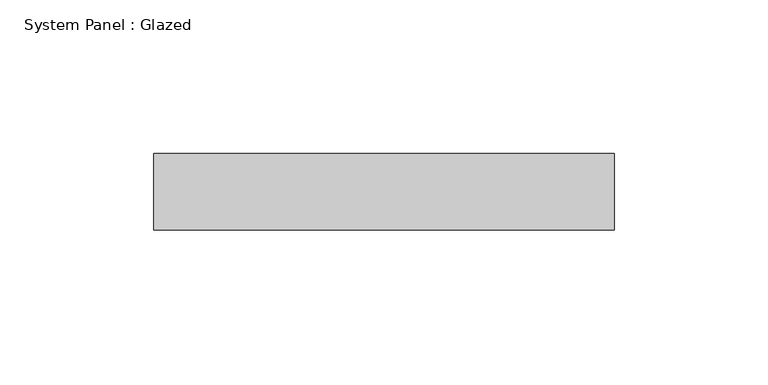
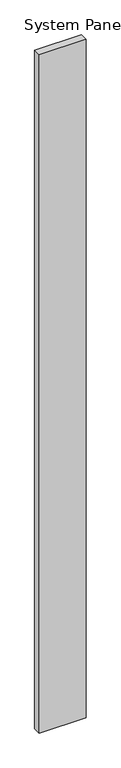
"""IFC4 building model written with IfcOpenShell, lengths in millimetres: plate geometry, System Panel : Glazed."""

from ifc_helpers import new_model, si_unit, origin, origin_with_axes, place, context, project, spatial, polyline, outline, extrude, source, transform, mapped, element, save


def system_panel_glazed_310bf6e6(model_context):
    return source(origin(), model_context, "Body", "SweptSolid", [
        extrude(outline(polyline([(74.9999998, 24.5), (-74.9999998, 24.5), (-74.9999998, 49.5), (74.9999998, 49.5), (74.9999998, 24.5)])), origin_with_axes(), (0.0, 0.0, 1.0), 2300.0),
    ])


if __name__ == "__main__":
    model = new_model("IFC4")
    model_context = context("Model", 3, world=origin())
    ifc_project = project(units=[si_unit("LENGTHUNIT", "METRE", prefix="MILLI")], contexts=[model_context])
    site = spatial("IfcSite", under=ifc_project)
    building = spatial("IfcBuilding", under=site)
    placement = place(None, origin())
    system_panel_glazed_shape = system_panel_glazed_310bf6e6(model_context)
    element("IfcPlate", 1, ObjectType="System Panel : Glazed", at=placement, inside=building, context=model_context, shape_type="MappedRepresentation", body=[
        mapped(system_panel_glazed_shape, transform((0.0, 0.0, 0.0), x_axis=(1.0, 0.0, 0.0), y_axis=(0.0, 1.0, 0.0), z_axis=(0.0, 0.0, 1.0))),
    ])
    save(model, "model.ifc")
